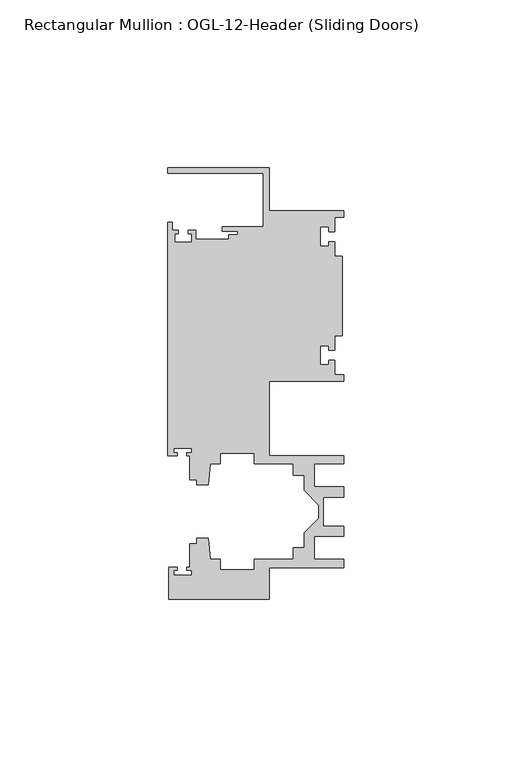
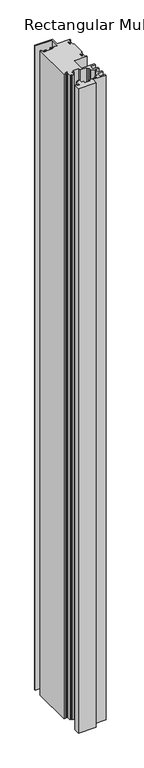
"""IFC4 building model written with IfcOpenShell, lengths in millimetres: member geometry, Rectangular Mullion : OGL-12-Header (Sliding Doors)."""

from ifc_helpers import new_model, si_unit, frame, origin, place, context, project, spatial, polyline, outline, extrude, source, transform, mapped, element, save


def rectangular_mullion_ogl_12_header_sliding_doors_16ec26a7(model_context):
    return source(origin(), model_context, "Body", "SweptSolid", [
        extrude(outline(polyline([(0.0, 25.4), (0.0, 23.488176), (-2.740223, 23.488176), (-2.740223, 19.1395859), (-4.5407068, 19.1395859), (-4.5407068, 20.5271706), (-7.0406862, 20.5271706), (-7.0406862, 14.7651725), (-4.5407047, 14.7651725), (-4.5407047, 16.1605952), (-2.740223, 16.1605952), (-2.740223, 11.8041704), (-0.508, 11.8041704), (-0.508, -11.8041704), (-2.740223, -11.8041704), (-2.740223, -16.1605952), (-4.5407047, -16.1605952), (-4.5407047, -14.7651725), (-7.0406862, -14.7651725), (-7.0406862, -20.5271706), (-4.5407068, -20.5271706), (-4.5407068, -19.1395859), (-2.740223, -19.1395859), (-2.740223, -23.488176), (0.0, -23.488176), (0.0, -25.4), (-22.2332898, -25.4), (-22.2332898, -47.513352), (-0.0082575, -47.513352), (-0.0082575, -50.013352), (-8.8582575, -50.013352), (-8.8582575, -56.8562795), (-0.0082575, -56.8562795), (-0.0082575, -59.8562795), (-6.1582575, -59.8562795), (-6.1582575, -68.5325565), (-0.0082575, -68.5325565), (-0.0082575, -71.5325565), (-8.8582575, -71.5325565), (-8.8582575, -78.375484), (-0.0082575, -78.375484), (-0.0082575, -80.875484), (-22.2032575, -80.875484), (-22.2032575, -90.3252352), (-52.2095715, -90.3252352), (-52.2095715, -80.7425364), (-49.5692346, -80.7425364), (-49.5692346, -81.7156466), (-50.6220715, -81.7156466), (-50.6220715, -83.0934363), (-45.3220715, -83.0934363), (-45.3220715, -81.7156466), (-46.8181909, -81.7156466), (-46.8181909, -80.7425364), (-45.9710366, -80.7425364), (-45.9710366, -73.7629518), (-43.7582575, -73.7629518), (-43.7582575, -72.175484), (-40.3395523, -72.175484), (-39.7961967, -78.3860669), (-36.8419772, -78.3860669), (-36.8419772, -81.550484), (-26.7462575, -81.550484), (-26.7462575, -78.375484), (-15.0768765, -78.375484), (-15.0768765, -74.975484), (-11.8582575, -74.975484), (-11.8582575, -70.4941892), (-7.4980859, -66.1340176), (-7.4980859, -62.2548184), (-11.8582575, -57.8946468), (-11.8582575, -53.413352), (-15.0768765, -53.413352), (-15.0768765, -50.013352), (-26.7462575, -50.013352), (-26.7462575, -46.838352), (-36.8419772, -46.838352), (-36.8419772, -50.0027691), (-39.7961967, -50.0027691), (-40.3395523, -56.213352), (-43.7582575, -56.213352), (-43.7582575, -54.6622994), (-45.9710366, -54.6622994), (-45.9710366, -47.583496), (-46.769305, -47.583496), (-46.769305, -46.7096046), (-45.3220715, -46.7096046), (-45.3220715, -45.3318149), (-50.6220715, -45.3318149), (-50.6220715, -46.7096046), (-49.5910554, -46.7096046), (-49.5910554, -47.583496), (-52.3921824, -47.583496), (-52.3921824, 21.9710976), (-51.1362531, 21.9710976), (-51.1362531, 19.4824275), (-49.3568347, 19.4824275), (-49.3568347, 18.4751625), (-50.359397, 18.4751625), (-50.359397, 15.9751675), (-45.359407, 15.9751675), (-45.359407, 18.4751625), (-46.3304245, 18.4751625), (-46.3304245, 19.4824275), (-44.1094055, 19.4824275), (-44.1094055, 16.8641675), (-34.2833684, 16.8641675), (-34.2833684, 18.1510261), (-31.5444935, 18.1510261), (-31.5444935, 19.3006707), (-36.2104247, 19.3006707), (-36.2104247, 20.5916734), (-24.0747898, 20.5916734), (-24.0747898, 36.512516), (-52.3921824, 36.512516), (-52.3921824, 38.0996792), (-22.2332898, 38.0996792), (-22.2332898, 25.4), (0.0, 25.4)])), frame((0.0, 0.0, -1155.7), z_axis=(0.0, 0.0, 1.0), x_axis=(1.0, 0.0, 0.0)), (0.0, 0.0, 1.0), 1155.7),
    ])


if __name__ == "__main__":
    model = new_model("IFC4")
    model_context = context("Model", 3, world=origin())
    ifc_project = project(units=[si_unit("LENGTHUNIT", "METRE", prefix="MILLI")], contexts=[model_context])
    site = spatial("IfcSite", under=ifc_project)
    building = spatial("IfcBuilding", under=site)
    placement = place(None, origin())
    rectangular_mullion_ogl_12_header_sliding_doors_shape = rectangular_mullion_ogl_12_header_sliding_doors_16ec26a7(model_context)
    element("IfcMember", 1, ObjectType="Rectangular Mullion : OGL-12-Header (Sliding Doors)", at=placement, inside=building, context=model_context, shape_type="MappedRepresentation", body=[
        mapped(rectangular_mullion_ogl_12_header_sliding_doors_shape, transform((0.0, 0.0, 0.0), x_axis=(1.0, 0.0, 0.0), y_axis=(0.0, 1.0, 0.0), z_axis=(0.0, 0.0, 1.0))),
    ])
    save(model, "model.ifc")
